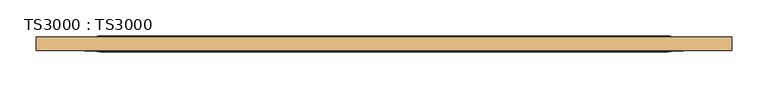
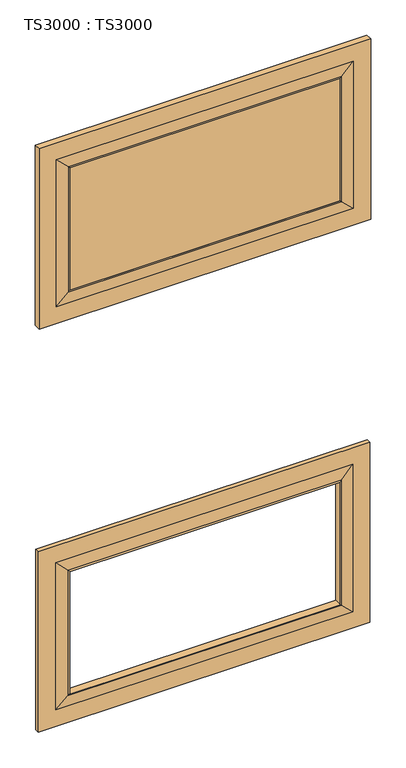
"""IFC4 building model written with IfcOpenShell, lengths in millimetres: door geometry, TS3000 : TS3000."""

from ifc_helpers import new_model, si_unit, frame, origin, place, context, project, spatial, polyline, ellipse_curve, outline, extrude, source, transform, mapped, element, save
from ifc_brep_helpers import plane_surface, revolved_surface, advanced_brep


def ts3000_ts3000_e38f3df4(model_context):
    return source(origin(), model_context, "Body", "SolidModel", [
        advanced_brep(
        [(1092.2, -15.875, 764.1166667), (1092.2, -28.575, 764.1166667), (1092.2, -28.575, 209.55), (1092.2, -15.875, 209.55), (1003.3, -33.3375, 675.2166667), (1003.3, -11.1125, 675.2166667), (1003.3, -11.1125, 298.45), (1003.3, -33.3375, 298.45), (127.0, -28.575, 209.55), (127.0, -15.875, 209.55), (215.9, -11.1125, 298.45), (215.9, -33.3375, 298.45), (127.0, -28.575, 764.1166667), (127.0, -15.875, 764.1166667), (215.9, -11.1125, 675.2166667), (215.9, -33.3375, 675.2166667), (1041.4, -28.575, 260.35), (177.8, -28.575, 260.35), (177.8, -28.575, 713.3166667), (1041.4, -28.575, 713.3166667), (1041.4, -15.875, 713.3166667), (177.8, -15.875, 713.3166667), (177.8, -15.875, 260.35), (1041.4, -15.875, 260.35), (1008.0625, -30.95625, 679.9791667), (1008.0625, -30.95625, 293.6875), (211.1375, -30.95625, 293.6875), (211.1375, -30.95625, 679.9791667), (1008.0625, -13.49375, 679.9791667), (1008.0625, -13.49375, 293.6875), (211.1375, -13.49375, 293.6875), (211.1375, -13.49375, 679.9791667)],
        [
            (0, 1),
            (1, 2),
            (2, 3),
            (3, 0),
            (4, 5),
            (5, 6),
            (6, 7),
            (7, 4),
            (2, 8),
            (8, 9),
            (9, 3),
            (6, 10),
            (10, 11),
            (11, 7),
            (8, 12),
            (12, 13),
            (13, 9),
            (10, 14),
            (14, 15),
            (15, 11),
            (1, 12),
            (16, 17),
            (17, 18),
            (18, 19),
            (19, 16),
            (0, 13),
            (20, 21),
            (21, 22),
            (22, 23),
            (23, 20),
            (14, 5),
            (4, 15),
            (19, 24),
            (24, 25),
            (25, 16),
            (25, 26),
            (26, 17),
            (26, 27),
            (27, 18),
            (27, 24),
            (28, 20),
            (23, 29),
            (29, 28),
            (5, 28, ellipse_curve(frame((1008.5585938, -6.5484375, 680.4752604), z_axis=(-0.7071067811865475, 0.0, 0.7071067811865475), x_axis=(-0.7071067811865474, 0.0, -0.7071067811865476)), 9.8471798, 6.9630076)),
            (29, 6, ellipse_curve(frame((1008.5585938, -6.5484375, 293.1914062), z_axis=(-0.7071067811865475, 0.0, -0.7071067811865475), x_axis=(0.7071067811865474, 0.0, -0.7071067811865476)), 9.8471798, 6.9630076)),
            (24, 4, ellipse_curve(frame((1008.5585938, -37.9015625, 680.4752604), z_axis=(-0.7071067811865475, 0.0, 0.7071067811865475), x_axis=(-0.7071067811865474, 0.0, -0.7071067811865476)), 9.8471798, 6.9630076)),
            (7, 25, ellipse_curve(frame((1008.5585938, -37.9015625, 293.1914062), z_axis=(-0.7071067811865475, 0.0, -0.7071067811865475), x_axis=(0.7071067811865474, 0.0, -0.7071067811865476)), 9.8471798, 6.9630076)),
            (22, 30),
            (30, 29),
            (30, 10, ellipse_curve(frame((210.6414063, -6.5484375, 293.1914062), z_axis=(-0.7071067811865475, 0.0, 0.7071067811865475), x_axis=(-0.7071067811865476, 0.0, -0.7071067811865474)), 9.8471798, 6.9630076)),
            (11, 26, ellipse_curve(frame((210.6414063, -37.9015625, 293.1914062), z_axis=(-0.7071067811865475, 0.0, 0.7071067811865475), x_axis=(-0.7071067811865476, 0.0, -0.7071067811865474)), 9.8471798, 6.9630076)),
            (21, 31),
            (31, 30),
            (31, 14, ellipse_curve(frame((210.6414063, -6.5484375, 680.4752604), z_axis=(0.7071067811865475, 0.0, 0.7071067811865475), x_axis=(-0.7071067811865474, 0.0, 0.7071067811865476)), 9.8471798, 6.9630076)),
            (15, 27, ellipse_curve(frame((210.6414063, -37.9015625, 680.4752604), z_axis=(0.7071067811865475, 0.0, 0.7071067811865475), x_axis=(-0.7071067811865474, 0.0, 0.7071067811865476)), 9.8471798, 6.9630076)),
            (28, 31),
        ],
        [
            plane_surface(frame((1092.2, -28.575, 764.1166667), z_axis=(1.0, 0.0, 0.0), x_axis=(0.0, 0.0, -1.0))),
            plane_surface(frame((1003.3, -11.1125, 675.2166667), z_axis=(-1.0, 0.0, 0.0), x_axis=(0.0, 0.0, -1.0))),
            plane_surface(frame((1092.2, -28.575, 209.55), z_axis=(0.0, 0.0, -1.0), x_axis=(-1.0, 0.0, 0.0))),
            plane_surface(frame((1003.3, -11.1125, 298.45), z_axis=(0.0, 0.0, 1.0), x_axis=(-1.0, 0.0, 0.0))),
            plane_surface(frame((127.0, -28.575, 209.55), z_axis=(-1.0, 0.0, 0.0), x_axis=(0.0, 0.0, 1.0))),
            plane_surface(frame((215.9, -11.1125, 298.45), z_axis=(1.0, 0.0, 0.0), x_axis=(0.0, 0.0, 1.0))),
            plane_surface(frame((177.8, -28.575, 713.3166667), z_axis=(0.0, -1.0, 0.0), x_axis=(1.0, 0.0, 0.0))),
            plane_surface(frame((127.0, -28.575, 764.1166667), z_axis=(0.0, 0.0, 1.0), x_axis=(1.0, 0.0, 0.0))),
            plane_surface(frame((127.0, -15.875, 764.1166667), z_axis=(0.0, 1.0, 0.0), x_axis=(1.0, 0.0, 0.0))),
            plane_surface(frame((215.9, -11.1125, 675.2166667), z_axis=(0.0, 0.0, -1.0), x_axis=(1.0, 0.0, 0.0))),
            plane_surface(frame((1008.0625, -30.95625, 679.9791667), z_axis=(0.07124704998802812, -0.9974586998307265, 0.0), x_axis=(0.0, 0.0, -1.0))),
            plane_surface(frame((1008.0625, -30.95625, 293.6875), z_axis=(0.0, -0.9974586998307263, -0.07124704998803134), x_axis=(-1.0, 0.0, 0.0))),
            plane_surface(frame((211.1375, -30.95625, 293.6875), z_axis=(-0.07124704998803456, -0.9974586998307261, 0.0), x_axis=(0.0, 0.0, 1.0))),
            plane_surface(frame((211.1375, -30.95625, 679.9791667), z_axis=(0.0, -0.9974586998307263, 0.07124704998803134), x_axis=(1.0, 0.0, 0.0))),
            plane_surface(frame((1041.4, -15.875, 713.3166667), z_axis=(0.07124704998803483, 0.9974586998307261, 0.0), x_axis=(0.0, 0.0, -1.0))),
            revolved_surface(polyline([(1001.5955862000001, -6.5484375, 286.2283985878568), (1001.5955862000001, -6.5484375, 687.4382680121432)]), (1008.5585938, -6.5484375, 675.2166667), (0.0, 0.0, -1.0)),
            revolved_surface(polyline([(1001.5955862000001, -37.9015625, 286.2283985878568), (1001.5955862000001, -37.9015625, 687.4382680121432)]), (1008.5585938, -37.9015625, 675.2166667), (0.0, 0.0, -1.0)),
            plane_surface(frame((1041.4, -15.875, 260.35), z_axis=(0.0, 0.9974586998307263, -0.07124704998803161), x_axis=(-1.0, 0.0, 0.0))),
            revolved_surface(polyline([(203.67839868785677, -6.5484375, 300.15441380000004), (1015.5216014121432, -6.5484375, 300.15441380000004)]), (1003.3, -6.5484375, 293.1914062), (-1.0, 0.0, 0.0)),
            revolved_surface(polyline([(203.67839868785677, -37.9015625, 300.15441380000004), (1015.5216014121432, -37.9015625, 300.15441380000004)]), (1003.3, -37.9015625, 293.1914062), (-1.0, 0.0, 0.0)),
            plane_surface(frame((177.8, -15.875, 260.35), z_axis=(-0.07124704998802839, 0.9974586998307265, 0.0), x_axis=(0.0, 0.0, 1.0))),
            revolved_surface(polyline([(217.6044139, -6.5484375, 687.4382680121432), (217.6044139, -6.5484375, 286.2283985878568)]), (210.6414063, -6.5484375, 298.45), (0.0, 0.0, 1.0)),
            revolved_surface(polyline([(217.6044139, -37.9015625, 687.4382680121432), (217.6044139, -37.9015625, 286.2283985878568)]), (210.6414063, -37.9015625, 298.45), (0.0, 0.0, 1.0)),
            plane_surface(frame((177.8, -15.875, 713.3166667), z_axis=(0.0, 0.9974586998307263, 0.07124704998803161), x_axis=(1.0, 0.0, 0.0))),
            revolved_surface(polyline([(1015.5216014121432, -6.5484375, 673.5122528), (203.6783986878568, -6.5484375, 673.5122528)]), (215.9, -6.5484375, 680.4752604), (1.0, 0.0, 0.0)),
            revolved_surface(polyline([(1015.5216014121432, -37.9015625, 673.5122528), (203.6783986878568, -37.9015625, 673.5122528)]), (215.9, -37.9015625, 680.4752604), (1.0, 0.0, 0.0)),
        ],
        [
            (0, [[1, 2, 3, 4]]),
            (1, [[5, 6, 7, 8]]),
            (2, [[-3, 9, 10, 11]]),
            (3, [[-7, 12, 13, 14]]),
            (4, [[-10, 15, 16, 17]]),
            (5, [[-13, 18, 19, 20]]),
            (6, [[21, -15, -9, -2], [22, 23, 24, 25]]),
            (7, [[-16, -21, -1, 26]]),
            (8, [[-11, -17, -26, -4], [27, 28, 29, 30]]),
            (9, [[-19, 31, -5, 32]]),
            (10, [[33, 34, 35, -25]]),
            (11, [[-35, 36, 37, -22]]),
            (12, [[-37, 38, 39, -23]]),
            (13, [[-39, 40, -33, -24]]),
            (14, [[41, -30, 42, 43]]),
            (15, [[44, -43, 45, -6]]),
            (16, [[46, -8, 47, -34]]),
            (17, [[-42, -29, 48, 49]]),
            (18, [[-45, -49, 50, -12]]),
            (19, [[-47, -14, 51, -36]]),
            (20, [[-48, -28, 52, 53]]),
            (21, [[-50, -53, 54, -18]]),
            (22, [[-51, -20, 55, -38]]),
            (23, [[-52, -27, -41, 56]]),
            (24, [[-54, -56, -44, -31]]),
            (25, [[-55, -32, -46, -40]]),
        ],
    ),
        advanced_brep(
        [(1092.2, -12.7, 2006.6), (1092.2, -31.75, 2006.6), (1092.2, -31.75, 1452.0333333), (1092.2, -12.7, 1452.0333333), (1003.3, -33.3375, 1917.7), (1003.3, -11.1125, 1917.7), (1003.3, -11.1125, 1540.9333333), (1003.3, -33.3375, 1540.9333333), (127.0, -31.75, 1452.0333333), (127.0, -12.7, 1452.0333333), (215.9, -11.1125, 1540.9333333), (215.9, -33.3375, 1540.9333333), (127.0, -31.75, 2006.6), (127.0, -12.7, 2006.6), (215.9, -11.1125, 1917.7), (215.9, -33.3375, 1917.7), (1041.4, -31.75, 1502.8333333), (177.8, -31.75, 1502.8333333), (177.8, -31.75, 1955.8), (1041.4, -31.75, 1955.8), (1041.4, -12.7, 1955.8), (177.8, -12.7, 1955.8), (177.8, -12.7, 1502.8333333), (1041.4, -12.7, 1502.8333333), (1008.0625, -32.54375, 1922.4625), (1008.0625, -32.54375, 1536.1708333), (211.1375, -32.54375, 1536.1708333), (211.1375, -32.54375, 1922.4625), (1008.0625, -11.90625, 1922.4625), (1008.0625, -11.90625, 1536.1708333), (211.1375, -11.90625, 1536.1708333), (211.1375, -11.90625, 1922.4625)],
        [
            (0, 1),
            (1, 2),
            (2, 3),
            (3, 0),
            (4, 5),
            (5, 6),
            (6, 7),
            (7, 4),
            (2, 8),
            (8, 9),
            (9, 3),
            (6, 10),
            (10, 11),
            (11, 7),
            (8, 12),
            (12, 13),
            (13, 9),
            (10, 14),
            (14, 15),
            (15, 11),
            (1, 12),
            (16, 17),
            (17, 18),
            (18, 19),
            (19, 16),
            (0, 13),
            (20, 21),
            (21, 22),
            (22, 23),
            (23, 20),
            (14, 5),
            (4, 15),
            (19, 24),
            (24, 25),
            (25, 16),
            (25, 26),
            (26, 17),
            (26, 27),
            (27, 18),
            (27, 24),
            (28, 20),
            (23, 29),
            (29, 28),
            (5, 28, ellipse_curve(frame((1008.5585938, 5.7546875, 1922.9585938), z_axis=(-0.7071067811865475, 0.0, 0.7071067811865475), x_axis=(-0.7071067811865474, 0.0, -0.7071067811865476)), 24.9861891, 17.6679037)),
            (29, 6, ellipse_curve(frame((1008.5585938, 5.7546875, 1535.6747396), z_axis=(-0.7071067811865475, 0.0, -0.7071067811865475), x_axis=(0.7071067811865474, 0.0, -0.7071067811865476)), 24.9861891, 17.6679037)),
            (24, 4, ellipse_curve(frame((1008.5585938, -50.2046875, 1922.9585938), z_axis=(-0.7071067811865475, 0.0, 0.7071067811865475), x_axis=(-0.7071067811865474, 0.0, -0.7071067811865476)), 24.9861891, 17.6679037)),
            (7, 25, ellipse_curve(frame((1008.5585938, -50.2046875, 1535.6747396), z_axis=(-0.7071067811865475, 0.0, -0.7071067811865475), x_axis=(0.7071067811865474, 0.0, -0.7071067811865476)), 24.9861891, 17.6679037)),
            (22, 30),
            (30, 29),
            (30, 10, ellipse_curve(frame((210.6414063, 5.7546875, 1535.6747396), z_axis=(-0.7071067811865475, 0.0, 0.7071067811865475), x_axis=(-0.7071067811865476, 0.0, -0.7071067811865474)), 24.9861891, 17.6679037)),
            (11, 26, ellipse_curve(frame((210.6414063, -50.2046875, 1535.6747396), z_axis=(-0.7071067811865475, 0.0, 0.7071067811865475), x_axis=(-0.7071067811865476, 0.0, -0.7071067811865474)), 24.9861891, 17.6679037)),
            (21, 31),
            (31, 30),
            (31, 14, ellipse_curve(frame((210.6414063, 5.7546875, 1922.9585938), z_axis=(0.7071067811865475, 0.0, 0.7071067811865475), x_axis=(-0.7071067811865474, 0.0, 0.7071067811865476)), 24.9861891, 17.6679037)),
            (15, 27, ellipse_curve(frame((210.6414063, -50.2046875, 1922.9585938), z_axis=(0.7071067811865475, 0.0, 0.7071067811865475), x_axis=(-0.7071067811865474, 0.0, 0.7071067811865476)), 24.9861891, 17.6679037)),
            (28, 31),
        ],
        [
            plane_surface(frame((1092.2, -31.75, 2006.6), z_axis=(1.0, 0.0, 0.0), x_axis=(0.0, 0.0, -1.0))),
            plane_surface(frame((1003.3, -11.1125, 1917.7), z_axis=(-1.0, 0.0, 0.0), x_axis=(0.0, 0.0, -1.0))),
            plane_surface(frame((1092.2, -31.75, 1452.0333333), z_axis=(0.0, 0.0, -1.0), x_axis=(-1.0, 0.0, 0.0))),
            plane_surface(frame((1003.3, -11.1125, 1540.9333333), z_axis=(0.0, 0.0, 1.0), x_axis=(-1.0, 0.0, 0.0))),
            plane_surface(frame((127.0, -31.75, 1452.0333333), z_axis=(-1.0, 0.0, 0.0), x_axis=(0.0, 0.0, 1.0))),
            plane_surface(frame((215.9, -11.1125, 1540.9333333), z_axis=(1.0, 0.0, 0.0), x_axis=(0.0, 0.0, 1.0))),
            plane_surface(frame((177.8, -31.75, 1955.8), z_axis=(0.0, -1.0, 0.0), x_axis=(1.0, 0.0, 0.0))),
            plane_surface(frame((127.0, -31.75, 2006.6), z_axis=(0.0, 0.0, 1.0), x_axis=(1.0, 0.0, 0.0))),
            plane_surface(frame((127.0, -12.7, 2006.6), z_axis=(0.0, 1.0, 0.0), x_axis=(1.0, 0.0, 0.0))),
            plane_surface(frame((215.9, -11.1125, 1917.7), z_axis=(0.0, 0.0, -1.0), x_axis=(1.0, 0.0, 0.0))),
            plane_surface(frame((1008.0625, -32.54375, 1922.4625), z_axis=(0.023802777946324925, -0.9997166737441353, 0.0), x_axis=(0.0, 0.0, -1.0))),
            plane_surface(frame((1008.0625, -32.54375, 1536.1708333), z_axis=(0.0, -0.9997166737441353, -0.023802777946328162), x_axis=(-1.0, 0.0, 0.0))),
            plane_surface(frame((211.1375, -32.54375, 1536.1708333), z_axis=(-0.023802777946331396, -0.9997166737441352, 0.0), x_axis=(0.0, 0.0, 1.0))),
            plane_surface(frame((211.1375, -32.54375, 1922.4625), z_axis=(0.0, -0.9997166737441353, 0.023802777946328162), x_axis=(1.0, 0.0, 0.0))),
            plane_surface(frame((1041.4, -12.7, 1955.8), z_axis=(0.023802777946332284, 0.9997166737441352, 0.0), x_axis=(0.0, 0.0, -1.0))),
            revolved_surface(polyline([(990.8906901, 5.7546875, 1518.0068358513806), (990.8906901, 5.7546875, 1940.6264975486195)]), (1008.5585938, 5.7546875, 1917.7), (0.0, 0.0, -1.0)),
            revolved_surface(polyline([(990.8906901, -50.2046875, 1518.0068358513806), (990.8906901, -50.2046875, 1940.6264975486195)]), (1008.5585938, -50.2046875, 1917.7), (0.0, 0.0, -1.0)),
            plane_surface(frame((1041.4, -12.7, 1502.8333333), z_axis=(0.0, 0.9997166737441353, -0.02380277794632905), x_axis=(-1.0, 0.0, 0.0))),
            revolved_surface(polyline([(192.97350255138053, 5.7546875, 1553.3426433), (1026.2264975486194, 5.7546875, 1553.3426433)]), (1003.3, 5.7546875, 1535.6747396), (-1.0, 0.0, 0.0)),
            revolved_surface(polyline([(192.97350255138053, -50.2046875, 1553.3426433), (1026.2264975486194, -50.2046875, 1553.3426433)]), (1003.3, -50.2046875, 1535.6747396), (-1.0, 0.0, 0.0)),
            plane_surface(frame((177.8, -12.7, 1502.8333333), z_axis=(-0.023802777946325817, 0.9997166737441354, 0.0), x_axis=(0.0, 0.0, 1.0))),
            revolved_surface(polyline([(228.30931, 5.7546875, 1940.6264975486195), (228.30931, 5.7546875, 1518.0068358513806)]), (210.6414063, 5.7546875, 1540.9333333), (0.0, 0.0, 1.0)),
            revolved_surface(polyline([(228.30931, -50.2046875, 1940.6264975486195), (228.30931, -50.2046875, 1518.0068358513806)]), (210.6414063, -50.2046875, 1540.9333333), (0.0, 0.0, 1.0)),
            plane_surface(frame((177.8, -12.7, 1955.8), z_axis=(0.0, 0.9997166737441353, 0.02380277794632905), x_axis=(1.0, 0.0, 0.0))),
            revolved_surface(polyline([(1026.2264975486196, 5.7546875, 1905.2906901000001), (192.9735025513806, 5.7546875, 1905.2906901000001)]), (215.9, 5.7546875, 1922.9585938), (1.0, 0.0, 0.0)),
            revolved_surface(polyline([(1026.2264975486196, -50.2046875, 1905.2906901000001), (192.9735025513806, -50.2046875, 1905.2906901000001)]), (215.9, -50.2046875, 1922.9585938), (1.0, 0.0, 0.0)),
        ],
        [
            (0, [[1, 2, 3, 4]]),
            (1, [[5, 6, 7, 8]]),
            (2, [[-3, 9, 10, 11]]),
            (3, [[-7, 12, 13, 14]]),
            (4, [[-10, 15, 16, 17]]),
            (5, [[-13, 18, 19, 20]]),
            (6, [[21, -15, -9, -2], [22, 23, 24, 25]]),
            (7, [[-16, -21, -1, 26]]),
            (8, [[-11, -17, -26, -4], [27, 28, 29, 30]]),
            (9, [[-19, 31, -5, 32]]),
            (10, [[33, 34, 35, -25]]),
            (11, [[-35, 36, 37, -22]]),
            (12, [[-37, 38, 39, -23]]),
            (13, [[-39, 40, -33, -24]]),
            (14, [[41, -30, 42, 43]]),
            (15, [[44, -43, 45, -6]]),
            (16, [[46, -8, 47, -34]]),
            (17, [[-42, -29, 48, 49]]),
            (18, [[-45, -49, 50, -12]]),
            (19, [[-47, -14, 51, -36]]),
            (20, [[-48, -28, 52, 53]]),
            (21, [[-50, -53, 54, -18]]),
            (22, [[-51, -20, 55, -38]]),
            (23, [[-52, -27, -41, 56]]),
            (24, [[-54, -56, -44, -31]]),
            (25, [[-55, -32, -46, -40]]),
        ],
    ),
        extrude(outline(polyline([(215.9, -11.1125), (1003.3, -11.1125), (1003.3, -33.3375), (215.9, -33.3375), (215.9, -11.1125)])), frame((0.0, 0.0, 1540.9333333), z_axis=(0.0, 0.0, 1.0), x_axis=(1.0, 0.0, 0.0)), (0.0, 0.0, 1.0), 376.7666667),
    ])


if __name__ == "__main__":
    model = new_model("IFC4")
    model_context = context("Model", 3, world=origin())
    ifc_project = project(units=[si_unit("LENGTHUNIT", "METRE", prefix="MILLI")], contexts=[model_context])
    site = spatial("IfcSite", under=ifc_project)
    building = spatial("IfcBuilding", under=site)
    placement = place(None, origin())
    ts3000_ts3000_shape = ts3000_ts3000_e38f3df4(model_context)
    element("IfcDoor", 1, ObjectType="TS3000 : TS3000", at=placement, inside=building, context=model_context, shape_type="MappedRepresentation", body=[
        mapped(ts3000_ts3000_shape, transform((0.0, 0.0, 0.0), x_axis=(1.0, 0.0, 0.0), y_axis=(0.0, 1.0, 0.0), z_axis=(0.0, 0.0, 1.0))),
    ])
    save(model, "model.ifc")
